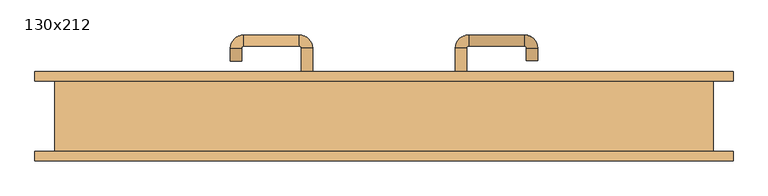
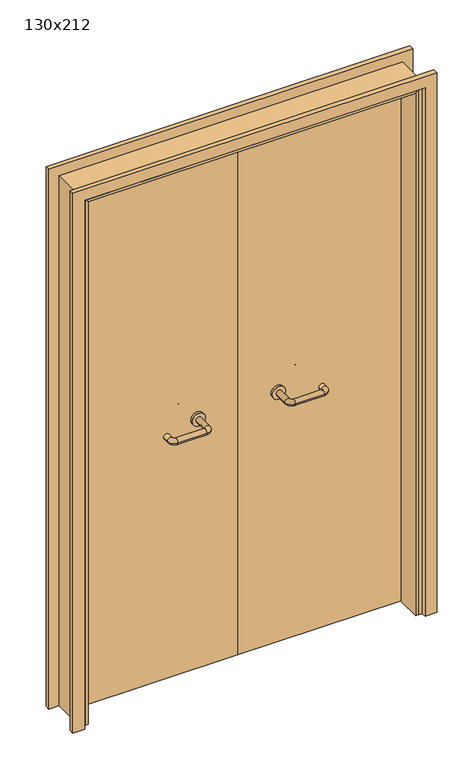
"""IFC4 building model written with IfcOpenShell, lengths in millimetres: door geometry, 130x212."""

from ifc_helpers import new_model, si_unit, point, frame, frame_2d, origin, place, context, project, spatial, polyline, circle_curve, ellipse_curve, trimmed, segment, composite_curve, outline, extrude, faceted_brep, source, transform, mapped, element, save
from ifc_brep_helpers import plane_surface, cylinder_surface, revolved_surface, advanced_brep


def door_130x212_fafde786(model_context):
    return source(origin(), model_context, "Body", "SolidModel", [
        faceted_brep([(-620.0, 23.0, 0.0), (-620.0, -69.9, 0.0), (-630.0, -69.9, 0.0), (-630.0, 23.0, 0.0), (-620.0, 23.0, 2090.0), (-620.0, -69.9, 2090.0), (-630.0, -69.9, 2100.0), (-630.0, 23.0, 2100.0), (620.0, 23.0, 0.0), (630.0, 23.0, 0.0), (630.0, -69.9, 0.0), (620.0, -69.9, 0.0), (620.0, 23.0, 2090.0), (630.0, 23.0, 2100.0), (630.0, -69.9, 2100.0), (620.0, -69.9, 2090.0)], [[[0, 1, 2, 3]], [[1, 0, 4, 5]], [[2, 1, 5, 6]], [[3, 2, 6, 7]], [[0, 3, 7, 4]], [[8, 9, 10, 11]], [[12, 13, 9, 8]], [[13, 14, 10, 9]], [[14, 15, 11, 10]], [[15, 12, 8, 11]], [[5, 4, 12, 15]], [[6, 5, 15, 14]], [[7, 6, 14, 13]], [[4, 7, 13, 12]]]),
        extrude(outline(polyline([(2159.0, 689.0), (2159.0, -689.0), (0.0, -689.0), (0.0, -645.0), (2115.0, -645.0), (2115.0, 645.0), (0.0, 645.0), (0.0, 689.0), (2159.0, 689.0)])), frame((0.0, 70.0, 0.0), z_axis=(0.0, 1.0, 0.0), x_axis=(0.0, 0.0, 1.0)), (0.0, 0.0, 1.0), 18.0),
        extrude(outline(polyline([(2159.0, -689.0), (0.0, -689.0), (0.0, -645.0), (2115.0, -645.0), (2115.0, 645.0), (0.0, 645.0), (0.0, 689.0), (2159.0, 689.0), (2159.0, -689.0)])), frame((0.0, -88.0, 0.0), z_axis=(0.0, 1.0, 0.0), x_axis=(0.0, 0.0, 1.0)), (0.0, 0.0, 1.0), 18.0),
        extrude(outline(polyline([(2120.0, -650.0), (0.0, -650.0), (0.0, -630.0), (2100.0, -630.0), (2100.0, 630.0), (0.0, 630.0), (0.0, 650.0), (2120.0, 650.0), (2120.0, -650.0)])), frame((0.0, -69.9, 0.0), z_axis=(0.0, 1.0, 0.0), x_axis=(0.0, 0.0, 1.0)), (0.0, 0.0, 1.0), 139.9),
        advanced_brep(
        [(140.99898, 16.0, 1003.0), (162.99898, 16.0, 1003.0), (140.99898, -39.3525369, 1003.0), (162.99898, -39.3525369, 1003.0), (166.99898, -43.3525369, 1003.0), (166.99898, -65.3525369, 1003.0), (276.99898, -65.3525369, 1003.0), (276.99898, -43.3525369, 1003.0), (280.99898, -39.3525369, 1003.0), (302.99898, -39.3525369, 1003.0), (302.99898, -22.0, 1003.0), (280.99898, -22.0, 1003.0)],
        [
            (0, 1, circle_curve(frame((151.99898, 16.0, 1003.0), z_axis=(0.0, 1.0, 0.0), x_axis=(1.0, 0.0, 0.0)), 11.0)),
            (1, 0, circle_curve(frame((151.99898, 16.0, 1003.0), z_axis=(0.0, 1.0, 0.0), x_axis=(1.0, 0.0, 0.0)), 11.0)),
            (0, 2),
            (2, 3, circle_curve(frame((151.99898, -39.3525369, 1003.0), z_axis=(0.0, 1.0, 0.0), x_axis=(1.0, 0.0, 0.0)), 11.0)),
            (3, 1),
            (3, 2, circle_curve(frame((151.99898, -39.3525369, 1003.0), z_axis=(0.0, 1.0, 0.0), x_axis=(1.0, 0.0, 0.0)), 11.0)),
            (4, 3, circle_curve(frame((166.99898, -39.3525369, 1003.0), z_axis=(0.0, 0.0, -1.0), x_axis=(-1.0, 0.0, 0.0)), 4.0)),
            (2, 5, circle_curve(frame((166.99898, -39.3525369, 1003.0), z_axis=(0.0, 0.0, 1.0), x_axis=(-1.0, 0.0, 0.0)), 26.0)),
            (5, 4, circle_curve(frame((166.99898, -54.3525369, 1003.0), z_axis=(-1.0, 0.0, 0.0), x_axis=(0.0, 1.0, 0.0)), 11.0)),
            (4, 5, circle_curve(frame((166.99898, -54.3525369, 1003.0), z_axis=(-1.0, 0.0, 0.0), x_axis=(0.0, 1.0, 0.0)), 11.0)),
            (5, 6),
            (6, 7, circle_curve(frame((276.99898, -54.3525369, 1003.0), z_axis=(-1.0, 0.0, 0.0), x_axis=(0.0, 1.0, 0.0)), 11.0)),
            (7, 4),
            (7, 6, circle_curve(frame((276.99898, -54.3525369, 1003.0), z_axis=(-1.0, 0.0, 0.0), x_axis=(0.0, 1.0, 0.0)), 11.0)),
            (8, 7, circle_curve(frame((276.99898, -39.3525369, 1003.0), z_axis=(0.0, 0.0, -1.0), x_axis=(0.0, -1.0, 0.0)), 4.0)),
            (6, 9, circle_curve(frame((276.99898, -39.3525369, 1003.0), z_axis=(0.0, 0.0, 1.0), x_axis=(0.0, -1.0, 0.0)), 26.0)),
            (9, 8, circle_curve(frame((291.99898, -39.3525369, 1003.0), z_axis=(0.0, -1.0, 0.0), x_axis=(-1.0, 0.0, 0.0)), 11.0)),
            (8, 9, circle_curve(frame((291.99898, -39.3525369, 1003.0), z_axis=(0.0, -1.0, 0.0), x_axis=(-1.0, 0.0, 0.0)), 11.0)),
            (10, 11, circle_curve(frame((291.99898, -22.0, 1003.0), z_axis=(0.0, 1.0, 0.0), x_axis=(-1.0, 0.0, 0.0)), 11.0)),
            (11, 10, circle_curve(frame((291.99898, -22.0, 1003.0), z_axis=(0.0, 1.0, 0.0), x_axis=(-1.0, 0.0, 0.0)), 11.0)),
            (9, 10),
            (11, 8),
        ],
        [
            plane_surface(frame((140.99898, 16.0, 1003.0), z_axis=(0.0, 1.0, 0.0), x_axis=(0.0, 0.0, -1.0))),
            cylinder_surface(frame((151.99898, 16.0, 1003.0), z_axis=(0.0, 1.0, 0.0), x_axis=(1.0, 0.0, 0.0)), 11.0),
            revolved_surface(trimmed(ellipse_curve(frame((151.99898, -39.3525369, 1003.0), z_axis=(0.0, 1.0, 0.0), x_axis=(1.0, 0.0, 0.0)), 11.0, 11.0), [point((140.99898, -39.3525369, 1003.0))], [point((162.99898, -39.3525369, 1003.0))], True, "CARTESIAN"), (166.99898, -39.3525369, 1003.0), (0.0, 0.0, 1.0)),
            revolved_surface(trimmed(ellipse_curve(frame((151.99898, -39.3525369, 1003.0), z_axis=(0.0, 1.0, 0.0), x_axis=(1.0, 0.0, 0.0)), 11.0, 11.0), [point((162.99898, -39.3525369, 1003.0))], [point((140.99898, -39.3525369, 1003.0))], True, "CARTESIAN"), (166.99898, -39.3525369, 1003.0), (0.0, 0.0, 1.0)),
            cylinder_surface(frame((166.99898, -54.3525369, 1003.0), z_axis=(-1.0, 0.0, 0.0), x_axis=(0.0, 1.0, 0.0)), 11.0),
            revolved_surface(trimmed(ellipse_curve(frame((276.99898, -54.3525369, 1003.0), z_axis=(-1.0, 0.0, 0.0), x_axis=(0.0, 1.0, 0.0)), 11.0, 11.0), [point((276.99898, -65.3525369, 1003.0))], [point((276.99898, -43.3525369, 1003.0))], True, "CARTESIAN"), (276.99898, -39.3525369, 1003.0), (0.0, 0.0, 1.0)),
            revolved_surface(trimmed(ellipse_curve(frame((276.99898, -54.3525369, 1003.0), z_axis=(-1.0, 0.0, 0.0), x_axis=(0.0, 1.0, 0.0)), 11.0, 11.0), [point((276.99898, -43.3525369, 1003.0))], [point((276.99898, -65.3525369, 1003.0))], True, "CARTESIAN"), (276.99898, -39.3525369, 1003.0), (0.0, 0.0, 1.0)),
            plane_surface(frame((280.99898, -22.0, 1003.0), z_axis=(0.0, 1.0, 0.0), x_axis=(0.0, 0.0, 1.0))),
            cylinder_surface(frame((291.99898, -39.3525369, 1003.0), z_axis=(0.0, -1.0, 0.0), x_axis=(-1.0, 0.0, 0.0)), 11.0),
        ],
        [
            (0, [[1, 2]]),
            (1, [[-1, 3, 4, 5]]),
            (1, [[-2, -5, 6, -3]]),
            (2, [[7, -4, 8, 9]]),
            (3, [[-8, -6, -7, 10]]),
            (4, [[-9, 11, 12, 13]]),
            (4, [[-10, -13, 14, -11]]),
            (5, [[15, -12, 16, 17]]),
            (6, [[-16, -14, -15, 18]]),
            (7, [[19, 20]]),
            (8, [[-17, 21, -20, 22]]),
            (8, [[-18, -22, -19, -21]]),
        ],
    ),
        extrude(outline(composite_curve([segment(trimmed(circle_curve(frame_2d((1003.0, 151.99898)), 25.0), [point((1003.0, 126.99898))], [point((1003.0, 176.99898))], False, "CARTESIAN"), True, "CONTINUOUS"), segment(trimmed(circle_curve(frame_2d((1003.0, 151.99898)), 25.0), [point((1003.0, 176.99898))], [point((1003.0, 126.99898))], False, "CARTESIAN"), True, "CONTINUOUS")], self_intersect=False)), frame((0.0, 16.0, 0.0), z_axis=(0.0, 1.0, 0.0), x_axis=(0.0, 0.0, 1.0)), (0.0, 0.0, 1.0), 10.0),
        advanced_brep(
        [(162.99898, 80.0, 1003.0), (140.99898, 80.0, 1003.0), (162.99898, 135.0, 1003.0), (140.99898, 135.0, 1003.0), (166.99898, 161.0, 1003.0), (166.99898, 139.0, 1003.0), (276.99898, 139.0, 1003.0), (276.99898, 161.0, 1003.0), (302.99898, 135.0, 1003.0), (280.99898, 135.0, 1003.0), (280.99898, 110.0, 1003.0), (302.99898, 110.0, 1003.0)],
        [
            (0, 1, circle_curve(frame((151.99898, 80.0, 1003.0), z_axis=(0.0, -1.0, 0.0), x_axis=(-1.0, 0.0, 0.0)), 11.0)),
            (1, 0, circle_curve(frame((151.99898, 80.0, 1003.0), z_axis=(0.0, -1.0, 0.0), x_axis=(-1.0, 0.0, 0.0)), 11.0)),
            (0, 2),
            (2, 3, circle_curve(frame((151.99898, 135.0, 1003.0), z_axis=(0.0, -1.0, 0.0), x_axis=(-1.0, 0.0, 0.0)), 11.0)),
            (3, 1),
            (3, 2, circle_curve(frame((151.99898, 135.0, 1003.0), z_axis=(0.0, -1.0, 0.0), x_axis=(-1.0, 0.0, 0.0)), 11.0)),
            (4, 3, circle_curve(frame((166.99898, 135.0, 1003.0), z_axis=(0.0, 0.0, 1.0), x_axis=(-1.0, 0.0, 0.0)), 26.0)),
            (2, 5, circle_curve(frame((166.99898, 135.0, 1003.0), z_axis=(0.0, 0.0, -1.0), x_axis=(-1.0, 0.0, 0.0)), 4.0)),
            (5, 4, circle_curve(frame((166.99898, 150.0, 1003.0), z_axis=(-1.0, 0.0, 0.0), x_axis=(0.0, 1.0, 0.0)), 11.0)),
            (4, 5, circle_curve(frame((166.99898, 150.0, 1003.0), z_axis=(-1.0, 0.0, 0.0), x_axis=(0.0, 1.0, 0.0)), 11.0)),
            (5, 6),
            (6, 7, circle_curve(frame((276.99898, 150.0, 1003.0), z_axis=(-1.0, 0.0, 0.0), x_axis=(0.0, 1.0, 0.0)), 11.0)),
            (7, 4),
            (7, 6, circle_curve(frame((276.99898, 150.0, 1003.0), z_axis=(-1.0, 0.0, 0.0), x_axis=(0.0, 1.0, 0.0)), 11.0)),
            (8, 7, circle_curve(frame((276.99898, 135.0, 1003.0), z_axis=(0.0, 0.0, 1.0), x_axis=(0.0, 1.0, 0.0)), 26.0)),
            (6, 9, circle_curve(frame((276.99898, 135.0, 1003.0), z_axis=(0.0, 0.0, -1.0), x_axis=(0.0, 1.0, 0.0)), 4.0)),
            (9, 8, circle_curve(frame((291.99898, 135.0, 1003.0), z_axis=(0.0, 1.0, 0.0), x_axis=(1.0, 0.0, 0.0)), 11.0)),
            (8, 9, circle_curve(frame((291.99898, 135.0, 1003.0), z_axis=(0.0, 1.0, 0.0), x_axis=(1.0, 0.0, 0.0)), 11.0)),
            (10, 11, circle_curve(frame((291.99898, 110.0, 1003.0), z_axis=(0.0, -1.0, 0.0), x_axis=(1.0, 0.0, 0.0)), 11.0)),
            (11, 10, circle_curve(frame((291.99898, 110.0, 1003.0), z_axis=(0.0, -1.0, 0.0), x_axis=(1.0, 0.0, 0.0)), 11.0)),
            (9, 10),
            (11, 8),
        ],
        [
            plane_surface(frame((140.99898, 80.0, 1003.0), z_axis=(0.0, -1.0, 0.0), x_axis=(0.0, 0.0, 1.0))),
            cylinder_surface(frame((151.99898, 80.0, 1003.0), z_axis=(0.0, -1.0, 0.0), x_axis=(-1.0, 0.0, 0.0)), 11.0),
            revolved_surface(trimmed(ellipse_curve(frame((151.99898, 135.0, 1003.0), z_axis=(0.0, -1.0, 0.0), x_axis=(-1.0, 0.0, 0.0)), 11.0, 11.0), [point((162.99898, 135.0, 1003.0))], [point((140.99898, 135.0, 1003.0))], True, "CARTESIAN"), (166.99898, 135.0, 1003.0), (0.0, 0.0, -1.0)),
            revolved_surface(trimmed(ellipse_curve(frame((151.99898, 135.0, 1003.0), z_axis=(0.0, -1.0, 0.0), x_axis=(-1.0, 0.0, 0.0)), 11.0, 11.0), [point((140.99898, 135.0, 1003.0))], [point((162.99898, 135.0, 1003.0))], True, "CARTESIAN"), (166.99898, 135.0, 1003.0), (0.0, 0.0, -1.0)),
            cylinder_surface(frame((166.99898, 150.0, 1003.0), z_axis=(-1.0, 0.0, 0.0), x_axis=(0.0, 1.0, 0.0)), 11.0),
            revolved_surface(trimmed(ellipse_curve(frame((276.99898, 150.0, 1003.0), z_axis=(-1.0, 0.0, 0.0), x_axis=(0.0, 1.0, 0.0)), 11.0, 11.0), [point((276.99898, 139.0, 1003.0))], [point((276.99898, 161.0, 1003.0))], True, "CARTESIAN"), (276.99898, 135.0, 1003.0), (0.0, 0.0, -1.0)),
            revolved_surface(trimmed(ellipse_curve(frame((276.99898, 150.0, 1003.0), z_axis=(-1.0, 0.0, 0.0), x_axis=(0.0, 1.0, 0.0)), 11.0, 11.0), [point((276.99898, 161.0, 1003.0))], [point((276.99898, 139.0, 1003.0))], True, "CARTESIAN"), (276.99898, 135.0, 1003.0), (0.0, 0.0, -1.0)),
            plane_surface(frame((280.99898, 110.0, 1003.0), z_axis=(0.0, -1.0, 0.0), x_axis=(0.0, 0.0, -1.0))),
            cylinder_surface(frame((291.99898, 135.0, 1003.0), z_axis=(0.0, 1.0, 0.0), x_axis=(1.0, 0.0, 0.0)), 11.0),
        ],
        [
            (0, [[1, 2]]),
            (1, [[-1, 3, 4, 5]]),
            (1, [[-2, -5, 6, -3]]),
            (2, [[7, -4, 8, 9]]),
            (3, [[-8, -6, -7, 10]]),
            (4, [[-9, 11, 12, 13]]),
            (4, [[-10, -13, 14, -11]]),
            (5, [[15, -12, 16, 17]]),
            (6, [[-16, -14, -15, 18]]),
            (7, [[19, 20]]),
            (8, [[-17, 21, -20, 22]]),
            (8, [[-18, -22, -19, -21]]),
        ],
    ),
        extrude(outline(composite_curve([segment(trimmed(circle_curve(frame_2d((1003.0, 151.99898)), 25.0), [point((1003.0, 176.99898))], [point((1003.0, 126.99898))], False, "CARTESIAN"), True, "CONTINUOUS"), segment(trimmed(circle_curve(frame_2d((1003.0, 151.99898)), 25.0), [point((1003.0, 126.99898))], [point((1003.0, 176.99898))], False, "CARTESIAN"), True, "CONTINUOUS")], self_intersect=False)), frame((0.0, 70.0, 0.0), z_axis=(0.0, 1.0, 0.0), x_axis=(0.0, 0.0, 1.0)), (0.0, 0.0, 1.0), 10.0),
        advanced_brep(
        [(-162.99898, 15.6886121, 1003.0), (-140.99898, 15.6886121, 1003.0), (-162.99898, -39.7220447, 1003.0), (-140.99898, -39.7220447, 1003.0), (-166.99898, -65.7220447, 1003.0), (-166.99898, -43.7220447, 1003.0), (-276.99898, -43.7220447, 1003.0), (-276.99898, -65.7220447, 1003.0), (-302.99898, -39.7220447, 1003.0), (-280.99898, -39.7220447, 1003.0), (-280.99898, -14.7220447, 1003.0), (-302.99898, -14.7220447, 1003.0)],
        [
            (0, 1, circle_curve(frame((-151.99898, 15.6886121, 1003.0), z_axis=(0.0, 1.0, 0.0), x_axis=(1.0, 0.0, 0.0)), 11.0)),
            (1, 0, circle_curve(frame((-151.99898, 15.6886121, 1003.0), z_axis=(0.0, 1.0, 0.0), x_axis=(1.0, 0.0, 0.0)), 11.0)),
            (0, 2),
            (2, 3, circle_curve(frame((-151.99898, -39.7220447, 1003.0), z_axis=(0.0, 1.0, 0.0), x_axis=(1.0, 0.0, 0.0)), 11.0)),
            (3, 1),
            (3, 2, circle_curve(frame((-151.99898, -39.7220447, 1003.0), z_axis=(0.0, 1.0, 0.0), x_axis=(1.0, 0.0, 0.0)), 11.0)),
            (4, 3, circle_curve(frame((-166.99898, -39.7220447, 1003.0), z_axis=(0.0, 0.0, 1.0), x_axis=(1.0, 0.0, 0.0)), 26.0)),
            (2, 5, circle_curve(frame((-166.99898, -39.7220447, 1003.0), z_axis=(0.0, 0.0, -1.0), x_axis=(1.0, 0.0, 0.0)), 4.0)),
            (5, 4, circle_curve(frame((-166.99898, -54.7220447, 1003.0), z_axis=(1.0, 0.0, 0.0), x_axis=(0.0, -1.0, 0.0)), 11.0)),
            (4, 5, circle_curve(frame((-166.99898, -54.7220447, 1003.0), z_axis=(1.0, 0.0, 0.0), x_axis=(0.0, -1.0, 0.0)), 11.0)),
            (5, 6),
            (6, 7, circle_curve(frame((-276.99898, -54.7220447, 1003.0), z_axis=(1.0, 0.0, 0.0), x_axis=(0.0, -1.0, 0.0)), 11.0)),
            (7, 4),
            (7, 6, circle_curve(frame((-276.99898, -54.7220447, 1003.0), z_axis=(1.0, 0.0, 0.0), x_axis=(0.0, -1.0, 0.0)), 11.0)),
            (8, 7, circle_curve(frame((-276.99898, -39.7220447, 1003.0), z_axis=(0.0, 0.0, 1.0), x_axis=(0.0, -1.0, 0.0)), 26.0)),
            (6, 9, circle_curve(frame((-276.99898, -39.7220447, 1003.0), z_axis=(0.0, 0.0, -1.0), x_axis=(0.0, -1.0, 0.0)), 4.0)),
            (9, 8, circle_curve(frame((-291.99898, -39.7220447, 1003.0), z_axis=(0.0, -1.0, 0.0), x_axis=(-1.0, 0.0, 0.0)), 11.0)),
            (8, 9, circle_curve(frame((-291.99898, -39.7220447, 1003.0), z_axis=(0.0, -1.0, 0.0), x_axis=(-1.0, 0.0, 0.0)), 11.0)),
            (10, 11, circle_curve(frame((-291.99898, -14.7220447, 1003.0), z_axis=(0.0, 1.0, 0.0), x_axis=(-1.0, 0.0, 0.0)), 11.0)),
            (11, 10, circle_curve(frame((-291.99898, -14.7220447, 1003.0), z_axis=(0.0, 1.0, 0.0), x_axis=(-1.0, 0.0, 0.0)), 11.0)),
            (9, 10),
            (11, 8),
        ],
        [
            plane_surface(frame((-162.99898, 15.6886121, 1003.0), z_axis=(0.0, 1.0, 0.0), x_axis=(0.0, 0.0, -1.0))),
            cylinder_surface(frame((-151.99898, 15.6886121, 1003.0), z_axis=(0.0, 1.0, 0.0), x_axis=(1.0, 0.0, 0.0)), 11.0),
            revolved_surface(trimmed(ellipse_curve(frame((-151.99898, -39.7220447, 1003.0), z_axis=(0.0, 1.0, 0.0), x_axis=(1.0, 0.0, 0.0)), 11.0, 11.0), [point((-162.99898, -39.7220447, 1003.0))], [point((-140.99898, -39.7220447, 1003.0))], True, "CARTESIAN"), (-166.99898, -39.7220447, 1003.0), (0.0, 0.0, -1.0)),
            revolved_surface(trimmed(ellipse_curve(frame((-151.99898, -39.7220447, 1003.0), z_axis=(0.0, 1.0, 0.0), x_axis=(1.0, 0.0, 0.0)), 11.0, 11.0), [point((-140.99898, -39.7220447, 1003.0))], [point((-162.99898, -39.7220447, 1003.0))], True, "CARTESIAN"), (-166.99898, -39.7220447, 1003.0), (0.0, 0.0, -1.0)),
            cylinder_surface(frame((-166.99898, -54.7220447, 1003.0), z_axis=(1.0, 0.0, 0.0), x_axis=(0.0, -1.0, 0.0)), 11.0),
            revolved_surface(trimmed(ellipse_curve(frame((-276.99898, -54.7220447, 1003.0), z_axis=(1.0, 0.0, 0.0), x_axis=(0.0, -1.0, 0.0)), 11.0, 11.0), [point((-276.99898, -43.7220447, 1003.0))], [point((-276.99898, -65.7220447, 1003.0))], True, "CARTESIAN"), (-276.99898, -39.7220447, 1003.0), (0.0, 0.0, -1.0)),
            revolved_surface(trimmed(ellipse_curve(frame((-276.99898, -54.7220447, 1003.0), z_axis=(1.0, 0.0, 0.0), x_axis=(0.0, -1.0, 0.0)), 11.0, 11.0), [point((-276.99898, -65.7220447, 1003.0))], [point((-276.99898, -43.7220447, 1003.0))], True, "CARTESIAN"), (-276.99898, -39.7220447, 1003.0), (0.0, 0.0, -1.0)),
            plane_surface(frame((-302.99898, -14.7220447, 1003.0), z_axis=(0.0, 1.0, 0.0), x_axis=(0.0, 0.0, 1.0))),
            cylinder_surface(frame((-291.99898, -39.7220447, 1003.0), z_axis=(0.0, -1.0, 0.0), x_axis=(-1.0, 0.0, 0.0)), 11.0),
        ],
        [
            (0, [[1, 2]]),
            (1, [[-1, 3, 4, 5]]),
            (1, [[-2, -5, 6, -3]]),
            (2, [[7, -4, 8, 9]]),
            (3, [[-8, -6, -7, 10]]),
            (4, [[-9, 11, 12, 13]]),
            (4, [[-10, -13, 14, -11]]),
            (5, [[15, -12, 16, 17]]),
            (6, [[-16, -14, -15, 18]]),
            (7, [[19, 20]]),
            (8, [[-17, 21, -20, 22]]),
            (8, [[-18, -22, -19, -21]]),
        ],
    ),
        extrude(outline(composite_curve([segment(trimmed(circle_curve(frame_2d((1003.0, -151.99898)), 25.0), [point((1003.0, -176.99898))], [point((1003.0, -126.99898))], False, "CARTESIAN"), True, "CONTINUOUS"), segment(trimmed(circle_curve(frame_2d((1003.0, -151.99898)), 25.0), [point((1003.0, -126.99898))], [point((1003.0, -176.99898))], False, "CARTESIAN"), True, "CONTINUOUS")], self_intersect=False)), frame((0.0, 15.6886121, 0.0), z_axis=(0.0, 1.0, 0.0), x_axis=(0.0, 0.0, 1.0)), (0.0, 0.0, 1.0), 10.3113879),
        advanced_brep(
        [(-140.99898, 79.5143417, 1003.0), (-162.99898, 79.5143417, 1003.0), (-140.99898, 134.6104656, 1003.0), (-162.99898, 134.6104656, 1003.0), (-166.99898, 138.6104656, 1003.0), (-166.99898, 160.6104656, 1003.0), (-276.99898, 160.6104656, 1003.0), (-276.99898, 138.6104656, 1003.0), (-280.99898, 134.6104656, 1003.0), (-302.99898, 134.6104656, 1003.0), (-302.99898, 109.6104656, 1003.0), (-280.99898, 109.6104656, 1003.0)],
        [
            (0, 1, circle_curve(frame((-151.99898, 79.5143417, 1003.0), z_axis=(0.0, -1.0, 0.0), x_axis=(-1.0, 0.0, 0.0)), 11.0)),
            (1, 0, circle_curve(frame((-151.99898, 79.5143417, 1003.0), z_axis=(0.0, -1.0, 0.0), x_axis=(-1.0, 0.0, 0.0)), 11.0)),
            (0, 2),
            (2, 3, circle_curve(frame((-151.99898, 134.6104656, 1003.0), z_axis=(0.0, -1.0, 0.0), x_axis=(-1.0, 0.0, 0.0)), 11.0)),
            (3, 1),
            (3, 2, circle_curve(frame((-151.99898, 134.6104656, 1003.0), z_axis=(0.0, -1.0, 0.0), x_axis=(-1.0, 0.0, 0.0)), 11.0)),
            (4, 3, circle_curve(frame((-166.99898, 134.6104656, 1003.0), z_axis=(0.0, 0.0, -1.0), x_axis=(1.0, 0.0, 0.0)), 4.0)),
            (2, 5, circle_curve(frame((-166.99898, 134.6104656, 1003.0), z_axis=(0.0, 0.0, 1.0), x_axis=(1.0, 0.0, 0.0)), 26.0)),
            (5, 4, circle_curve(frame((-166.99898, 149.6104656, 1003.0), z_axis=(1.0, 0.0, 0.0), x_axis=(0.0, -1.0, 0.0)), 11.0)),
            (4, 5, circle_curve(frame((-166.99898, 149.6104656, 1003.0), z_axis=(1.0, 0.0, 0.0), x_axis=(0.0, -1.0, 0.0)), 11.0)),
            (5, 6),
            (6, 7, circle_curve(frame((-276.99898, 149.6104656, 1003.0), z_axis=(1.0, 0.0, 0.0), x_axis=(0.0, -1.0, 0.0)), 11.0)),
            (7, 4),
            (7, 6, circle_curve(frame((-276.99898, 149.6104656, 1003.0), z_axis=(1.0, 0.0, 0.0), x_axis=(0.0, -1.0, 0.0)), 11.0)),
            (8, 7, circle_curve(frame((-276.99898, 134.6104656, 1003.0), z_axis=(0.0, 0.0, -1.0), x_axis=(0.0, 1.0, 0.0)), 4.0)),
            (6, 9, circle_curve(frame((-276.99898, 134.6104656, 1003.0), z_axis=(0.0, 0.0, 1.0), x_axis=(0.0, 1.0, 0.0)), 26.0)),
            (9, 8, circle_curve(frame((-291.99898, 134.6104656, 1003.0), z_axis=(0.0, 1.0, 0.0), x_axis=(1.0, 0.0, 0.0)), 11.0)),
            (8, 9, circle_curve(frame((-291.99898, 134.6104656, 1003.0), z_axis=(0.0, 1.0, 0.0), x_axis=(1.0, 0.0, 0.0)), 11.0)),
            (10, 11, circle_curve(frame((-291.99898, 109.6104656, 1003.0), z_axis=(0.0, -1.0, 0.0), x_axis=(1.0, 0.0, 0.0)), 11.0)),
            (11, 10, circle_curve(frame((-291.99898, 109.6104656, 1003.0), z_axis=(0.0, -1.0, 0.0), x_axis=(1.0, 0.0, 0.0)), 11.0)),
            (9, 10),
            (11, 8),
        ],
        [
            plane_surface(frame((-162.99898, 79.5143417, 1003.0), z_axis=(0.0, -1.0, 0.0), x_axis=(0.0, 0.0, 1.0))),
            cylinder_surface(frame((-151.99898, 79.5143417, 1003.0), z_axis=(0.0, -1.0, 0.0), x_axis=(-1.0, 0.0, 0.0)), 11.0),
            revolved_surface(trimmed(ellipse_curve(frame((-151.99898, 134.6104656, 1003.0), z_axis=(0.0, -1.0, 0.0), x_axis=(-1.0, 0.0, 0.0)), 11.0, 11.0), [point((-140.99898, 134.6104656, 1003.0))], [point((-162.99898, 134.6104656, 1003.0))], True, "CARTESIAN"), (-166.99898, 134.6104656, 1003.0), (0.0, 0.0, 1.0)),
            revolved_surface(trimmed(ellipse_curve(frame((-151.99898, 134.6104656, 1003.0), z_axis=(0.0, -1.0, 0.0), x_axis=(-1.0, 0.0, 0.0)), 11.0, 11.0), [point((-162.99898, 134.6104656, 1003.0))], [point((-140.99898, 134.6104656, 1003.0))], True, "CARTESIAN"), (-166.99898, 134.6104656, 1003.0), (0.0, 0.0, 1.0)),
            cylinder_surface(frame((-166.99898, 149.6104656, 1003.0), z_axis=(1.0, 0.0, 0.0), x_axis=(0.0, -1.0, 0.0)), 11.0),
            revolved_surface(trimmed(ellipse_curve(frame((-276.99898, 149.6104656, 1003.0), z_axis=(1.0, 0.0, 0.0), x_axis=(0.0, -1.0, 0.0)), 11.0, 11.0), [point((-276.99898, 160.6104656, 1003.0))], [point((-276.99898, 138.6104656, 1003.0))], True, "CARTESIAN"), (-276.99898, 134.6104656, 1003.0), (0.0, 0.0, 1.0)),
            revolved_surface(trimmed(ellipse_curve(frame((-276.99898, 149.6104656, 1003.0), z_axis=(1.0, 0.0, 0.0), x_axis=(0.0, -1.0, 0.0)), 11.0, 11.0), [point((-276.99898, 138.6104656, 1003.0))], [point((-276.99898, 160.6104656, 1003.0))], True, "CARTESIAN"), (-276.99898, 134.6104656, 1003.0), (0.0, 0.0, 1.0)),
            plane_surface(frame((-302.99898, 109.6104656, 1003.0), z_axis=(0.0, -1.0, 0.0), x_axis=(0.0, 0.0, -1.0))),
            cylinder_surface(frame((-291.99898, 134.6104656, 1003.0), z_axis=(0.0, 1.0, 0.0), x_axis=(1.0, 0.0, 0.0)), 11.0),
        ],
        [
            (0, [[1, 2]]),
            (1, [[-1, 3, 4, 5]]),
            (1, [[-2, -5, 6, -3]]),
            (2, [[7, -4, 8, 9]]),
            (3, [[-8, -6, -7, 10]]),
            (4, [[-9, 11, 12, 13]]),
            (4, [[-10, -13, 14, -11]]),
            (5, [[15, -12, 16, 17]]),
            (6, [[-16, -14, -15, 18]]),
            (7, [[19, 20]]),
            (8, [[-17, 21, -20, 22]]),
            (8, [[-18, -22, -19, -21]]),
        ],
    ),
        extrude(outline(composite_curve([segment(trimmed(circle_curve(frame_2d((1003.0, -151.99898)), 25.0), [point((1003.0, -126.99898))], [point((1003.0, -176.99898))], False, "CARTESIAN"), True, "CONTINUOUS"), segment(trimmed(circle_curve(frame_2d((1003.0, -151.99898)), 25.0), [point((1003.0, -176.99898))], [point((1003.0, -126.99898))], False, "CARTESIAN"), True, "CONTINUOUS")], self_intersect=False)), frame((0.0, 70.0, 0.0), z_axis=(0.0, 1.0, 0.0), x_axis=(0.0, 0.0, 1.0)), (0.0, 0.0, 1.0), 9.5143417),
        extrude(outline(polyline([(1.0739506, 26.0), (-627.0, 26.0), (-627.0, 70.0), (1.0739506, 70.0), (1.0739506, 26.0)])), frame((0.0, 0.0, 1.753223), z_axis=(0.0, 0.0, 1.0), x_axis=(1.0, 0.0, 0.0)), (0.0, 0.0, 1.0), 2098.246777),
        extrude(outline(polyline([(627.0, 26.0), (1.0739506, 26.0), (1.0739506, 70.0), (627.0, 70.0), (627.0, 26.0)])), frame((0.0, 0.0, 1.753223), z_axis=(0.0, 0.0, 1.0), x_axis=(1.0, 0.0, 0.0)), (0.0, 0.0, 1.0), 2098.246777),
    ])


if __name__ == "__main__":
    model = new_model("IFC4")
    model_context = context("Model", 3, world=origin())
    ifc_project = project(units=[si_unit("LENGTHUNIT", "METRE", prefix="MILLI")], contexts=[model_context])
    site = spatial("IfcSite", under=ifc_project)
    building = spatial("IfcBuilding", under=site)
    placement = place(None, origin())
    door_130x212_shape = door_130x212_fafde786(model_context)
    element("IfcDoor", 1, ObjectType="130x212", at=placement, inside=building, context=model_context, shape_type="MappedRepresentation", body=[
        mapped(door_130x212_shape, transform((0.0, 0.0, 0.0), x_axis=(1.0, 0.0, 0.0), y_axis=(0.0, 1.0, 0.0), z_axis=(0.0, 0.0, 1.0))),
    ])
    save(model, "model.ifc")
